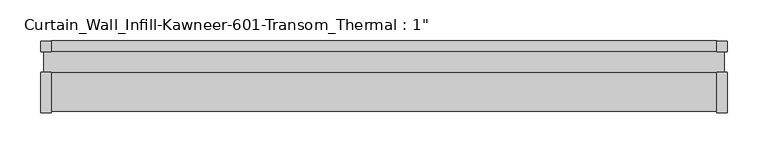
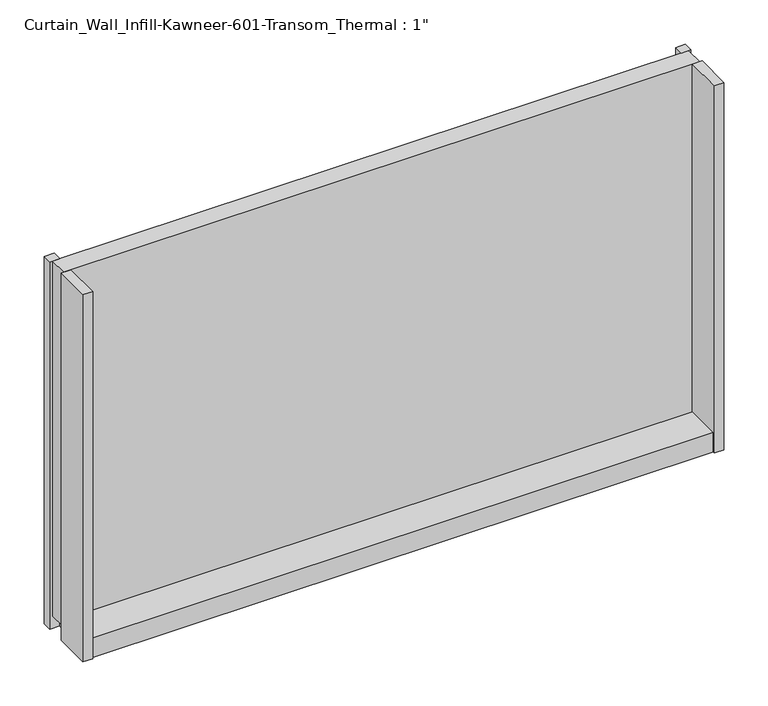
"""IFC4 building model written with IfcOpenShell, lengths in millimetres: plate geometry."""

from ifc_helpers import new_model, si_unit, frame, origin, origin_with_axes, place, context, project, spatial, polyline, outline, extrude, source, transform, mapped, element, save


def plate_bfdb48fb(model_context):
    return source(origin(), model_context, "Body", "SweptSolid", [
        extrude(outline(polyline([(406.4, 25.2723869), (419.1, 25.2723869), (419.1, 12.7), (406.4, 12.7), (406.4, 25.2723869)])), origin_with_axes(), (0.0, 0.0, 1.0), 508.0),
        extrude(outline(polyline([(419.1, -62.0401131), (406.4, -62.0401131), (406.4, -12.7), (419.1, -12.7), (419.1, -62.0401131)])), origin_with_axes(), (0.0, 0.0, 1.0), 508.0),
        extrude(outline(polyline([(-406.4, 25.2723869), (-406.4, 12.7), (-419.1, 12.7), (-419.1, 25.2723869), (-406.4, 25.2723869)])), origin_with_axes(), (0.0, 0.0, 1.0), 508.0),
        extrude(outline(polyline([(-419.1, -62.0401131), (-419.1, -12.7), (-406.4, -12.7), (-406.4, -62.0401131), (-419.1, -62.0401131)])), origin_with_axes(), (0.0, 0.0, 1.0), 508.0),
        extrude(outline(polyline([(12.7, 26.9875), (25.625216, 26.9875), (25.625216, 0.0), (-60.091499, 0.0), (-60.091499, 26.9875), (-12.7, 26.9875), (-12.7, 17.4625), (12.7, 17.4625), (12.7, 26.9875)])), frame((-406.4, 0.0, 0.0), z_axis=(1.0, 0.0, 0.0), x_axis=(0.0, 1.0, 0.0)), (0.0, 0.0, 1.0), 812.8),
        extrude(outline(polyline([(-415.925, 12.7), (415.925, 12.7), (415.925, -12.7), (-415.925, -12.7), (-415.925, 12.7)])), frame((0.0, 0.0, 17.4625), z_axis=(0.0, 0.0, 1.0), x_axis=(1.0, 0.0, 0.0)), (0.0, 0.0, 1.0), 490.5375),
    ])


if __name__ == "__main__":
    model = new_model("IFC4")
    model_context = context("Model", 3, world=origin())
    ifc_project = project(units=[si_unit("LENGTHUNIT", "METRE", prefix="MILLI")], contexts=[model_context])
    site = spatial("IfcSite", under=ifc_project)
    building = spatial("IfcBuilding", under=site)
    placement = place(None, origin())
    plate_shape = plate_bfdb48fb(model_context)
    element("IfcPlate", 1, ObjectType="Curtain_Wall_Infill-Kawneer-601-Transom_Thermal : 1\"", at=placement, inside=building, context=model_context, shape_type="MappedRepresentation", body=[
        mapped(plate_shape, transform((0.0, 0.0, 0.0), x_axis=(1.0, 0.0, 0.0), y_axis=(0.0, 1.0, 0.0), z_axis=(0.0, 0.0, 1.0))),
    ])
    save(model, "model.ifc")
